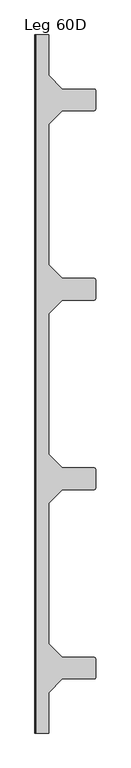
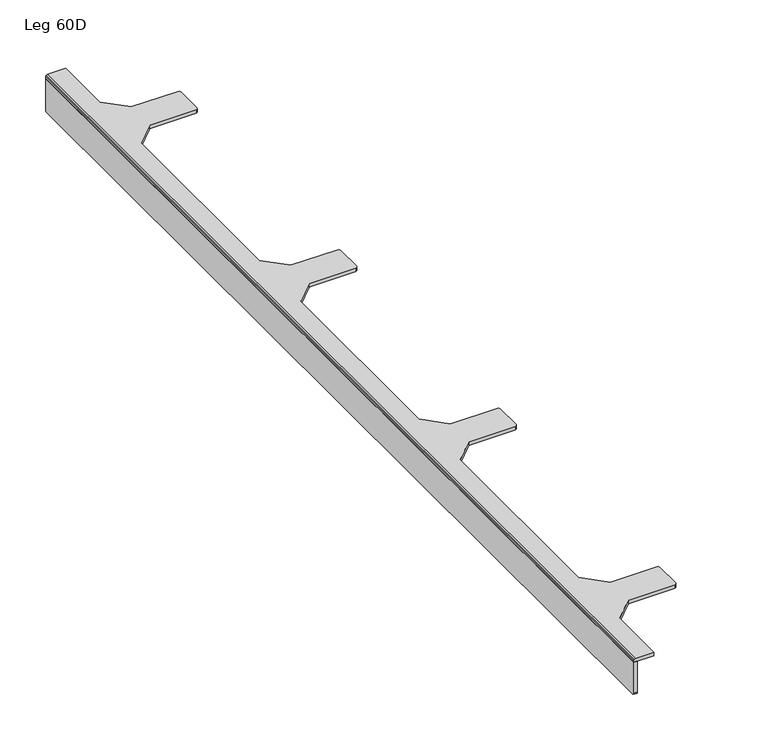
"""IFC4 building model written with IfcOpenShell, lengths in millimetres: furniture geometry, Leg 60D."""

import ifcopenshell
import ifcopenshell.guid

model = None  # the IFC model being written
_history = None  # IfcOwnerHistory: only IFC2X3 demands one
_inside = {}  # id of a spatial element -> (the spatial element, [elements in it])
_under = {}  # id of a project, library or spatial element -> (it, [spatial elements below it])
_declared = {}  # id of a project -> (the project, [libraries it declares])
_typed = {}  # id of a type object -> (the type object, [elements of that type])
_made_of = {}  # id of a material, layer set ... -> (it, [elements and type objects made of it])


def new_model(schema):
    """Start an empty IFC model of exactly this schema.

    Asked for "IFC4X3", IfcOpenShell would pick the latest addendum, in which some entities
    have other attributes; the version numbers below select the first issue.
    IFC2X3 requires an IfcOwnerHistory on every rooted entity: one is made here for all.
    """
    global model, _history
    if schema == "IFC4X3":
        model = ifcopenshell.file(schema_version=(4, 3, 0, 0))
    else:
        model = ifcopenshell.file(schema=schema)
    _inside.clear()
    _under.clear()
    _declared.clear()
    _typed.clear()
    _made_of.clear()
    _history = None
    if model.schema == "IFC2X3":
        org = make("IfcOrganization", Name="unknown")
        user = make(
            "IfcPersonAndOrganization",
            ThePerson=make("IfcPerson", FamilyName="unknown"),
            TheOrganization=org,
        )
        app = make(
            "IfcApplication",
            ApplicationDeveloper=org,
            Version="unknown",
            ApplicationFullName="unknown",
            ApplicationIdentifier="unknown",
        )
        _history = make(
            "IfcOwnerHistory",
            OwningUser=user,
            OwningApplication=app,
            ChangeAction="ADDED",
            CreationDate=0,
        )
    return model


def make(cls, **values):
    """One entity of the class cls with the attributes given. An attribute that is None is left unset."""
    return model.create_entity(
        cls, **{name: value for name, value in values.items() if value is not None}
    )


def rooted(cls, **values):
    """An entity with a GlobalId (a new one), such as an element, a storey or a relation."""
    return make(cls, GlobalId=ifcopenshell.guid.new(), OwnerHistory=_history, **values)


def si_unit(unit_type, name, prefix=None):
    """IfcSIUnit, for example si_unit("LENGTHUNIT", "METRE", prefix="MILLI")."""
    return make("IfcSIUnit", UnitType=unit_type, Prefix=prefix, Name=name)


def assignment(units):
    """IfcUnitAssignment: the units of a project."""
    return None if units is None else make("IfcUnitAssignment", Units=units)


def point(xyz):
    """IfcCartesianPoint."""
    return None if xyz is None else make("IfcCartesianPoint", Coordinates=xyz)


def direction(xyz):
    """IfcDirection."""
    return None if xyz is None else make("IfcDirection", DirectionRatios=xyz)


def frame(location, z_axis=None, x_axis=None):
    """IfcAxis2Placement3D, a coordinate frame: its origin and axes. An axis left out is left unset."""
    return make(
        "IfcAxis2Placement3D",
        Location=point(location),
        Axis=direction(z_axis),
        RefDirection=direction(x_axis),
    )


def origin():
    """The frame at (0, 0, 0) with its axes left unset."""
    return frame((0.0, 0.0, 0.0))


def place(relative_to, where):
    """IfcLocalPlacement: puts the frame where relative to a parent placement (None: the world)."""
    return make(
        "IfcLocalPlacement", PlacementRelTo=relative_to, RelativePlacement=where
    )


def context(
    kind, dimensions, precision=None, world=None, true_north=None, identifier=None
):
    """IfcGeometricRepresentationContext, for example the 3D "Model" context."""
    return make(
        "IfcGeometricRepresentationContext",
        ContextIdentifier=identifier,
        ContextType=kind,
        CoordinateSpaceDimension=dimensions,
        Precision=precision,
        WorldCoordinateSystem=world,
        TrueNorth=true_north,
    )


def project(units=None, contexts=None):
    """IfcProject with its units and contexts."""
    return rooted(
        "IfcProject",
        Name="project",
        RepresentationContexts=contexts,
        UnitsInContext=assignment(units),
    )


def spatial(cls, under=None, at=None, **own):
    """A site, building, storey or space (cls), placed at a placement, below another one or the project."""
    s = rooted(cls, ObjectPlacement=at, **own)
    if under is not None:
        _under.setdefault(under.id(), (under, []))[1].append(s)
    return s


def polyline(points):
    """IfcPolyline through the points."""
    return make("IfcPolyline", Points=[point(p) for p in points])


def outline(outer, holes=None, kind="AREA"):
    """IfcArbitraryClosedProfileDef: a profile drawn as a closed curve; with holes, ...WithVoids."""
    if holes is None:
        return make("IfcArbitraryClosedProfileDef", ProfileType=kind, OuterCurve=outer)
    return make(
        "IfcArbitraryProfileDefWithVoids",
        ProfileType=kind,
        OuterCurve=outer,
        InnerCurves=holes,
    )


def extrude(swept, where, along, depth):
    """IfcExtrudedAreaSolid: the profile swept, set in the frame where, extruded along a direction by depth."""
    return make(
        "IfcExtrudedAreaSolid",
        SweptArea=swept,
        Position=where,
        ExtrudedDirection=direction(along),
        Depth=depth,
    )


def faces_of(points, faces, orient=None, outer=None):
    """IfcFace entities. A face is a list of loops; a loop is a list of indices into points, from 0.

    orient and outer hold one flag for each loop. By default every Orientation is true, the
    first loop of a face is its IfcFaceOuterBound and the others are IfcFaceBound.
    """
    made = []
    for i, loops in enumerate(faces):
        bounds = []
        for j, loop in enumerate(loops):
            is_outer = j == 0 if outer is None else outer[i][j]
            bounds.append(
                make(
                    "IfcFaceOuterBound" if is_outer else "IfcFaceBound",
                    Bound=make("IfcPolyLoop", Polygon=[points[k] for k in loop]),
                    Orientation=True if orient is None else orient[i][j],
                )
            )
        made.append(make("IfcFace", Bounds=bounds))
    return made


def faceted_brep(points, faces, orient=None, outer=None, voids=None):
    """IfcFacetedBrep: a solid bounded by flat faces; with voids (closed shells), ...WithVoids."""
    shared = [point(p) for p in points]
    hull = make("IfcClosedShell", CfsFaces=faces_of(shared, faces, orient, outer))
    if voids is None:
        return make("IfcFacetedBrep", Outer=hull)
    return make(
        "IfcFacetedBrepWithVoids",
        Outer=hull,
        Voids=[
            make(cls, CfsFaces=faces_of(shared, fs, o, b)) for cls, fs, o, b in voids
        ],
    )


def shape(context_of_items, identifier, shape_type, items):
    """IfcShapeRepresentation: the items that make up one representation, for example the "Body"."""
    return make(
        "IfcShapeRepresentation",
        ContextOfItems=context_of_items,
        RepresentationIdentifier=identifier,
        RepresentationType=shape_type,
        Items=items,
    )


def source(mapping_origin, context_of_items, identifier, shape_type, items):
    """IfcRepresentationMap: a shape defined once, which mapped items show again and again."""
    return make(
        "IfcRepresentationMap",
        MappingOrigin=mapping_origin,
        MappedRepresentation=shape(context_of_items, identifier, shape_type, items),
    )


def transform(
    local_origin,
    x_axis=None,
    y_axis=None,
    z_axis=None,
    scale=None,
    scale2=None,
    scale3=None,
    uniform=True,
):
    """IfcCartesianTransformationOperator3D, or its non-uniform kind. x_axis, y_axis, z_axis: its Axis1, 2, 3."""
    if uniform:
        return make(
            "IfcCartesianTransformationOperator3D",
            Axis1=direction(x_axis),
            Axis2=direction(y_axis),
            LocalOrigin=point(local_origin),
            Scale=scale,
            Axis3=direction(z_axis),
        )
    return make(
        "IfcCartesianTransformationOperator3DnonUniform",
        Axis1=direction(x_axis),
        Axis2=direction(y_axis),
        LocalOrigin=point(local_origin),
        Scale=scale,
        Axis3=direction(z_axis),
        Scale2=scale2,
        Scale3=scale3,
    )


def mapped(mapping_source, mapping_target):
    """IfcMappedItem: shows the shape of a source again, moved by a transform."""
    return make(
        "IfcMappedItem", MappingSource=mapping_source, MappingTarget=mapping_target
    )


def made_of(thing, what):
    """Note that an element or type object is made of a material, layer set ...; save() writes the relation."""
    if what is not None:
        _made_of.setdefault(what.id(), (what, []))[1].append(thing)
    return thing


def element(
    cls,
    number,
    at=None,
    inside=None,
    cuts=None,
    type_object=None,
    material=None,
    context=None,
    identifier="Body",
    shape_type=None,
    held_by="IfcProductDefinitionShape",
    body=None,
    shapes=None,
    **own,
):
    """One element of the class cls, such as IfcWall. Its Tag is "e" and its number.

    at: its placement. inside: the storey or other place that contains it. cuts: it is an
    opening in that element (IfcRelVoidsElement). A single representation is given by context,
    identifier, shape_type and body (its items); several are given by shapes. held_by: the class
    of the entity that holds the representations. save() writes the other relations.
    """
    e = rooted(cls, Tag="e%d" % number, ObjectPlacement=at, **own)
    if body is not None:
        shapes = [shape(context, identifier, shape_type, body)]
    if shapes is not None:
        e.Representation = make(held_by, Representations=shapes)
    if inside is not None:
        _inside.setdefault(inside.id(), (inside, []))[1].append(e)
    if cuts is not None:
        rooted(
            "IfcRelVoidsElement", RelatingBuildingElement=cuts, RelatedOpeningElement=e
        )
    if type_object is not None:
        _typed.setdefault(type_object.id(), (type_object, []))[1].append(e)
    return made_of(e, material)


def aggregate(whole, parts):
    """IfcRelAggregates: a whole, such as a stair, and the parts it consists of."""
    return rooted("IfcRelAggregates", RelatingObject=whole, RelatedObjects=parts)


def save(model, path):
    """Write the relations noted so far, then the file.

    IfcRelAggregates (storeys below a building ...), IfcRelContainedInSpatialStructure (elements
    in a storey), IfcRelDefinesByType, IfcRelAssociatesMaterial and IfcRelDeclares: one each for
    every whole, place, type object, material and project.
    """
    for whole, parts in _under.values():
        aggregate(whole, parts)
    for where, things in _inside.values():
        rooted(
            "IfcRelContainedInSpatialStructure",
            RelatedElements=things,
            RelatingStructure=where,
        )
    for kind, things in _typed.values():
        rooted("IfcRelDefinesByType", RelatedObjects=things, RelatingType=kind)
    for what, things in _made_of.values():
        rooted("IfcRelAssociatesMaterial", RelatedObjects=things, RelatingMaterial=what)
    for by, libraries in _declared.values():
        rooted("IfcRelDeclares", RelatingContext=by, RelatedDefinitions=libraries)
    model.write(path)


def leg_60d_c637dcb9(model_context):
    return source(origin(), model_context, "Body", "SolidModel", [
        extrude(outline(polyline([(-645.0076, 313.7604763), (645.0076, 313.7604763), (645.0076, 272.3586034), (644.1955808, 270.3982248), (642.4278108, 269.6659658), (-642.4277898, 269.6659658), (-644.1955802, 270.3982085), (-645.0076, 272.3585978), (-645.0076, 313.7604763)])), frame((0.0, 0.0, 0.0), z_axis=(1.0, 0.0, 0.0), x_axis=(0.0, 1.0, 0.0)), (0.0, 0.0, 1.0), 4.75552),
        faceted_brep([(25.4000008, -645.0076, 318.516), (25.4000008, -570.4076113, 318.516), (50.8000015, -545.0075992, 318.516), (109.8100034, -545.0075992, 318.516), (111.5777643, -544.2753765, 318.516), (112.3099961, -542.5076065, 318.516), (112.3099961, -507.507599, 318.516), (111.5777643, -505.7398289, 318.516), (109.8100034, -505.0076062, 318.516), (50.8000015, -505.0076062, 318.516), (25.4000008, -479.6075941, 318.516), (25.4000008, -220.3999918, 318.516), (50.8000015, -194.9999979, 318.516), (109.8100034, -194.9999979, 318.516), (111.5777643, -194.2677751, 318.516), (112.3099961, -192.5000051, 318.516), (112.3099961, -157.4999976, 318.516), (111.5777643, -155.7322276, 318.516), (109.8100034, -155.0000048, 318.516), (50.8000015, -155.0000048, 318.516), (25.4000008, -129.6000018, 318.516), (25.4000008, 129.6000018, 318.516), (50.8000015, 155.0000048, 318.516), (109.8100034, 155.0000048, 318.516), (111.5777643, 155.7322276, 318.516), (112.3099961, 157.4999976, 318.516), (112.3099961, 192.5000051, 318.516), (111.5777643, 194.2677751, 318.516), (109.8100034, 194.9999979, 318.516), (50.8000015, 194.9999979, 318.516), (25.4000008, 220.3999918, 318.516), (25.4000008, 479.6075941, 318.516), (50.8000015, 505.0076062, 318.516), (109.8100034, 505.0076062, 318.516), (111.5777643, 505.7398289, 318.516), (112.3099961, 507.507599, 318.516), (112.3099961, 542.5076065, 318.516), (111.5777643, 544.2753765, 318.516), (109.8100034, 545.0075992, 318.516), (50.8000015, 545.0075992, 318.516), (25.4000008, 570.4076113, 318.516), (25.4000008, 645.0076, 318.516), (2.5000001, 645.0076, 318.516), (2.5000001, -645.0076, 318.516), (0.0, -645.0076, 313.7604763), (0.0, 645.0076, 313.7604763), (25.4000008, 645.0076, 313.7604763), (25.4000008, 570.4076113, 313.7604763), (50.8000015, 545.0075992, 313.7604763), (109.8100034, 545.0075992, 313.7604763), (111.5777643, 544.2753765, 313.7604763), (112.3099961, 542.5076065, 313.7604763), (112.3099961, 507.507599, 313.7604763), (111.5777643, 505.7398289, 313.7604763), (109.8100034, 505.0076062, 313.7604763), (50.8000015, 505.0076062, 313.7604763), (25.4000008, 479.6075941, 313.7604763), (25.4000008, 220.3999918, 313.7604763), (50.8000015, 194.9999979, 313.7604763), (109.8100034, 194.9999979, 313.7604763), (111.5777643, 194.2677751, 313.7604763), (112.3099961, 192.5000051, 313.7604763), (112.3099961, 157.4999976, 313.7604763), (111.5777643, 155.7322276, 313.7604763), (109.8100034, 155.0000048, 313.7604763), (50.8000015, 155.0000048, 313.7604763), (25.4000008, 129.6000018, 313.7604763), (25.4000008, -129.6000018, 313.7604763), (50.8000015, -155.0000048, 313.7604763), (109.8100034, -155.0000048, 313.7604763), (111.5777643, -155.7322276, 313.7604763), (112.3099961, -157.4999976, 313.7604763), (112.3099961, -192.5000051, 313.7604763), (111.5777643, -194.2677751, 313.7604763), (109.8100034, -194.9999979, 313.7604763), (50.8000015, -194.9999979, 313.7604763), (25.4000008, -220.3999918, 313.7604763), (25.4000008, -479.6075941, 313.7604763), (50.8000015, -505.0076062, 313.7604763), (109.8100034, -505.0076062, 313.7604763), (111.5777643, -505.7398289, 313.7604763), (112.3099961, -507.507599, 313.7604763), (112.3099961, -542.5076065, 313.7604763), (111.5777643, -544.2753765, 313.7604763), (109.8100034, -545.0075992, 313.7604763), (50.8000015, -545.0075992, 313.7604763), (25.4000008, -570.4076113, 313.7604763), (25.4000008, -645.0076, 313.7604763), (0.732233, -645.0076, 317.7837773), (0.0, -645.0076, 316.0160072), (0.0, 645.0076, 316.0160072), (0.732233, 645.0076, 317.7837773)], [[[0, 1, 2, 3, 4, 5, 6, 7, 8, 9, 10, 11, 12, 13, 14, 15, 16, 17, 18, 19, 20, 21, 22, 23, 24, 25, 26, 27, 28, 29, 30, 31, 32, 33, 34, 35, 36, 37, 38, 39, 40, 41, 42, 43]], [[44, 45, 46, 47, 48, 49, 50, 51, 52, 53, 54, 55, 56, 57, 58, 59, 60, 61, 62, 63, 64, 65, 66, 67, 68, 69, 70, 71, 72, 73, 74, 75, 76, 77, 78, 79, 80, 81, 82, 83, 84, 85, 86, 87]], [[44, 87, 0, 43, 88, 89]], [[1, 0, 87, 86]], [[2, 1, 86, 85]], [[3, 2, 85, 84]], [[4, 3, 84, 83]], [[5, 4, 83, 82]], [[6, 5, 82, 81]], [[7, 6, 81, 80]], [[8, 7, 80, 79]], [[9, 8, 79, 78]], [[10, 9, 78, 77]], [[31, 30, 57, 56]], [[32, 31, 56, 55]], [[33, 32, 55, 54]], [[34, 33, 54, 53]], [[35, 34, 53, 52]], [[36, 35, 52, 51]], [[37, 36, 51, 50]], [[38, 37, 50, 49]], [[39, 38, 49, 48]], [[40, 39, 48, 47]], [[41, 40, 47, 46]], [[46, 45, 90, 91, 42, 41]], [[45, 44, 89, 90]], [[11, 10, 77, 76]], [[12, 11, 76, 75]], [[13, 12, 75, 74]], [[14, 13, 74, 73]], [[15, 14, 73, 72]], [[16, 15, 72, 71]], [[17, 16, 71, 70]], [[18, 17, 70, 69]], [[19, 18, 69, 68]], [[20, 19, 68, 67]], [[21, 20, 67, 66]], [[22, 21, 66, 65]], [[23, 22, 65, 64]], [[24, 23, 64, 63]], [[25, 24, 63, 62]], [[26, 25, 62, 61]], [[27, 26, 61, 60]], [[28, 27, 60, 59]], [[29, 28, 59, 58]], [[30, 29, 58, 57]], [[91, 88, 43, 42]], [[88, 91, 90, 89]]]),
    ])


if __name__ == "__main__":
    model = new_model("IFC4")
    model_context = context("Model", 3, world=origin())
    ifc_project = project(units=[si_unit("LENGTHUNIT", "METRE", prefix="MILLI")], contexts=[model_context])
    site = spatial("IfcSite", under=ifc_project)
    building = spatial("IfcBuilding", under=site)
    placement = place(None, origin())
    leg_60d_shape = leg_60d_c637dcb9(model_context)
    element("IfcFurniture", 1, ObjectType="Leg 60D", at=placement, inside=building, context=model_context, shape_type="MappedRepresentation", body=[
        mapped(leg_60d_shape, transform((0.0, 0.0, 0.0), x_axis=(1.0, 0.0, 0.0), y_axis=(0.0, 1.0, 0.0), z_axis=(0.0, 0.0, 1.0))),
    ])
    save(model, "model.ifc")
